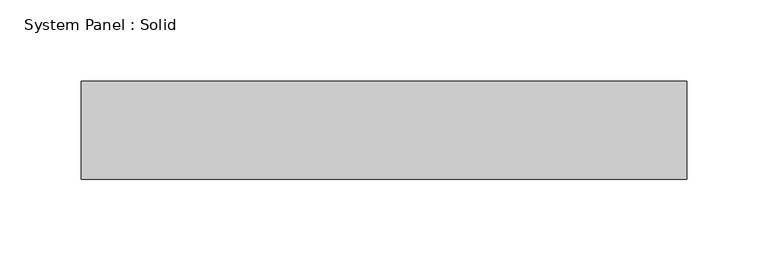
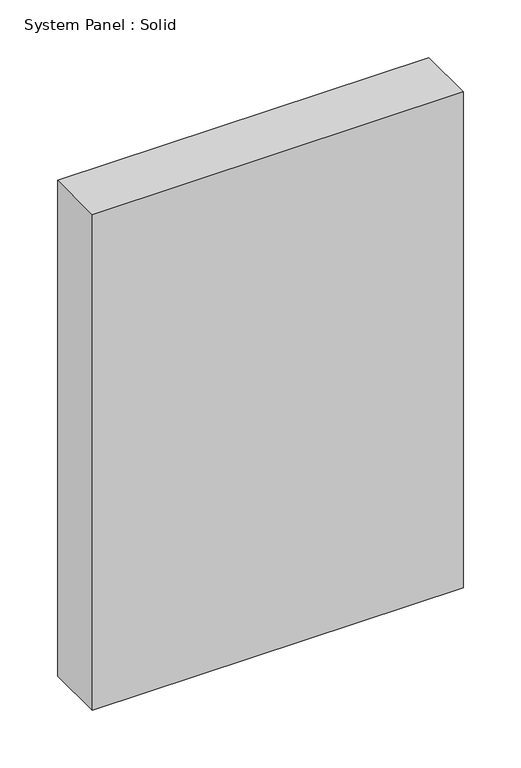
"""IFC4 building model written with IfcOpenShell, lengths in millimetres: plate geometry, System Panel : Solid."""

from ifc_helpers import new_model, si_unit, origin, origin_with_axes, place, context, project, spatial, polyline, outline, extrude, source, transform, mapped, element, save


def system_panel_solid_df4371c8(model_context):
    return source(origin(), model_context, "Body", "SweptSolid", [
        extrude(outline(polyline([(185.9054077, -49.5), (-185.9054077, -49.5), (-185.9054077, 10.5), (185.9054077, 10.5), (185.9054077, -49.5)])), origin_with_axes(), (0.0, 0.0, 1.0), 525.0),
    ])


if __name__ == "__main__":
    model = new_model("IFC4")
    model_context = context("Model", 3, world=origin())
    ifc_project = project(units=[si_unit("LENGTHUNIT", "METRE", prefix="MILLI")], contexts=[model_context])
    site = spatial("IfcSite", under=ifc_project)
    building = spatial("IfcBuilding", under=site)
    placement = place(None, origin())
    system_panel_solid_shape = system_panel_solid_df4371c8(model_context)
    element("IfcPlate", 1, ObjectType="System Panel : Solid", at=placement, inside=building, context=model_context, shape_type="MappedRepresentation", body=[
        mapped(system_panel_solid_shape, transform((0.0, 0.0, 0.0), x_axis=(1.0, 0.0, 0.0), y_axis=(0.0, 1.0, 0.0), z_axis=(0.0, 0.0, 1.0))),
    ])
    save(model, "model.ifc")
